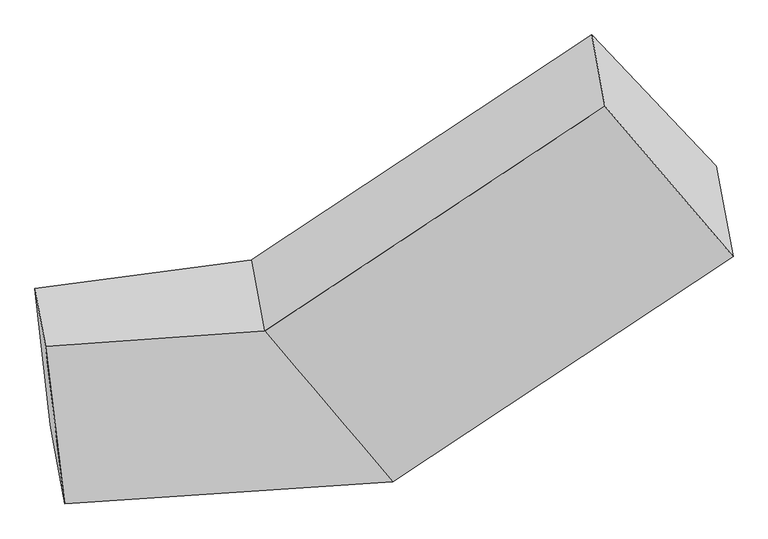
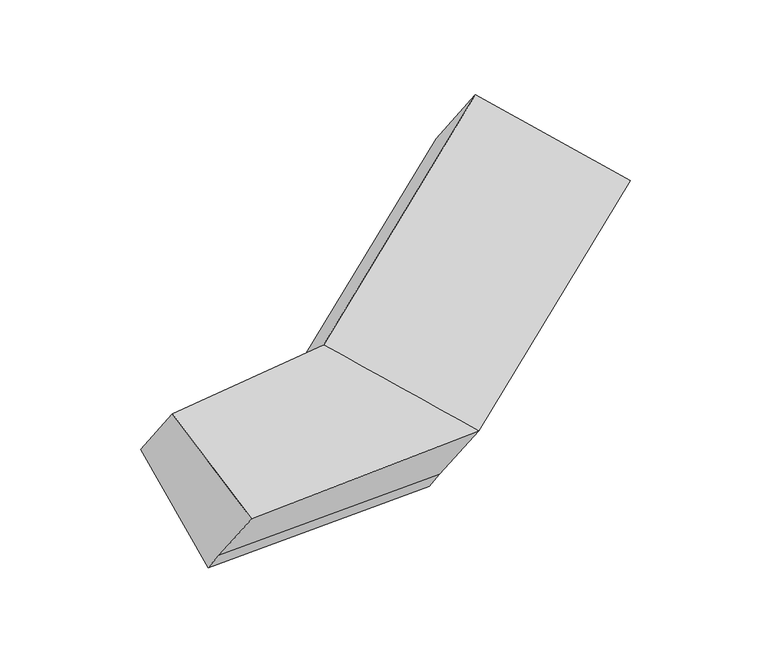
"""IFC4 building model written with IfcOpenShell, lengths in millimetres: proxy geometry."""

from ifc_helpers import new_model, si_unit, frame, origin, place, context, project, spatial, source, transform, mapped, element, save
from ifc_brep_helpers import plane_surface, spline_surface, advanced_brep


def generic_models_dd8c3839(model_context):
    return source(origin(), model_context, "Body", "AdvancedBrep", [
        advanced_brep(
        [(-1255.8942002, -1694.367394, 1808.9846144), (-1211.3519352, -1936.4201114, 2157.8283793), (-296.0751567, -1872.3174626, 2221.8618486), (-350.9751533, -1573.9784946, 1791.8989465), (-1192.7205939, -2263.329951, 1406.1314101), (170.0821287, -2123.7178539, 1343.9190969), (-1177.5923659, -2345.5401548, 1524.6118689), (184.6886936, -2203.0932231, 1458.3140227), (-1131.741676, -2594.7031485, 1883.7028874), (239.660335, -2501.8215246, 1888.838028), (1607.4838875, -1261.9215817, 1924.4933185), (1592.8773226, -1182.5462126, 1810.0983928), (1071.8200406, -632.8068532, 2258.0782423), (1126.7200372, -931.1458212, 2688.0411444), (1662.4555289, -1560.6498833, 2355.0173239)],
        [
            (0, 1),
            (1, 2),
            (2, 3),
            (3, 0),
            (4, 0),
            (0, 5),
            (5, 4),
            (6, 4),
            (5, 7),
            (7, 6),
            (8, 6),
            (7, 9),
            (9, 8),
            (1, 8),
            (9, 2),
            (10, 11),
            (11, 12),
            (12, 13),
            (13, 14),
            (14, 10),
            (3, 5),
            (5, 11),
            (10, 7),
            (3, 12),
            (2, 13),
            (9, 14),
        ],
        [
            plane_surface(frame((-1233.6230677, -1815.3937527, 1983.4064969), z_axis=(-0.0971373725213191, 0.8118530831035727, 0.5757246757911963), x_axis=(0.10433260649652625, -0.5669669226590858, 0.8171066122802626))),
            plane_surface(frame((-1224.307397, -1978.8486725, 1607.5580123), z_axis=(-0.09551580524235881, 0.568134873135621, -0.8173735357081704), x_axis=(-0.0902480090055878, 0.8128036528051676, 0.5755045776161158))),
            plane_surface(frame((-1185.1564799, -2304.4350529, 1465.3716395), z_axis=(0.057468130357706565, -0.8167808791370343, -0.5740787484912875), x_axis=(-0.10433260649652612, 0.5669669226590859, -0.8171066122802625))),
            plane_surface(frame((-1154.6670209, -2470.1216517, 1704.1573781), z_axis=(0.05746813035770644, -0.8167808791370345, -0.5740787484912878), x_axis=(-0.10433260649652615, 0.5669669226590861, -0.8171066122802624))),
            spline_surface(1, 1, [[(-1211.3519352, -1936.4201114, 2157.8283793), (-296.0751567, -1872.3174626, 2221.8618486)], [(-1131.741676, -2594.7031485, 1883.7028874), (239.660335, -2501.8215246, 1888.838028)]], [2, 2], [2, 2], [0.0, 1.0], [0.0, 1.0]),
            plane_surface(frame((1363.4682323, -1076.7871926, 2277.8087759), z_axis=(0.7990743434681704, 0.5369298362721142, 0.2705301176056244), x_axis=(-0.10433260649652609, 0.5669669226590858, -0.8171066122802626))),
            plane_surface(frame((-1197.9271013, -2122.2051512, 1814.1618228), z_axis=(-0.9904392985398794, -0.1337861375369662, 0.03363428772505303), x_axis=(-0.10433260649652615, 0.5669669226590859, -0.8171066122802626))),
            plane_surface(frame((-1255.8942002, -1694.367394, 1808.9846144), z_axis=(-0.09187772225952553, 0.5752586209930571, -0.812795179073774), x_axis=(-0.5921105478139581, 0.6247038174457473, 0.509068010816006))),
            plane_surface(frame((177.3854112, -2163.4055385, 1401.1165598), z_axis=(0.5843191626235008, -0.6298908970261411, -0.5116723307299058), x_axis=(-0.10433260649652665, 0.5669669226590851, -0.8171066122802629))),
            plane_surface(frame((-90.4465123, -1848.8481742, 1567.9090217), z_axis=(-0.10625322572075249, 0.5656745414176988, -0.8177545874012637), x_axis=(-0.5921105478139643, 0.6247038174457437, 0.5090680108160028))),
            plane_surface(frame((-323.525155, -1723.1479786, 2006.8803975), z_axis=(-0.5843191626235031, 0.6298908970261393, 0.5116723307299057), x_axis=(0.10433260649652645, -0.566966922659086, 0.8171066122802624))),
            plane_surface(frame((-28.2074108, -2187.0694936, 2055.3499383), z_axis=(0.012672271449563344, -0.4591359656154188, 0.8882756208602745), x_axis=(0.6011563800867157, -0.7063754204249986, -0.3736907439319884))),
            plane_surface(frame((212.1745143, -2352.4573739, 1673.5760254), z_axis=(0.5843191626235009, -0.6298908970261409, -0.5116723307299059), x_axis=(-0.10433260649652595, 0.5669669226590859, -0.8171066122802625))),
        ],
        [
            (0, [[1, 2, 3, 4]]),
            (1, [[5, 6, 7]]),
            (2, [[8, -7, 9, 10]]),
            (3, [[11, -10, 12, 13]]),
            (4, [[14, -13, 15, -2]]),
            (5, [[16, 17, 18, 19, 20]]),
            (6, [[-1, -5, -8, -11, -14]]),
            (7, [[21, -6, -4]]),
            (8, [[-9, 22, -16, 23]]),
            (9, [[-21, 24, -17, -22]]),
            (10, [[-3, 25, -18, -24]]),
            (11, [[-15, 26, -19, -25]]),
            (12, [[-12, -23, -20, -26]]),
        ],
    ),
    ])


if __name__ == "__main__":
    model = new_model("IFC4")
    model_context = context("Model", 3, world=origin())
    ifc_project = project(units=[si_unit("LENGTHUNIT", "METRE", prefix="MILLI")], contexts=[model_context])
    site = spatial("IfcSite", under=ifc_project)
    building = spatial("IfcBuilding", under=site)
    placement = place(None, origin())
    generic_models_shape = generic_models_dd8c3839(model_context)
    element("IfcBuildingElementProxy", 1, Name="Generic Models", at=placement, inside=building, context=model_context, shape_type="MappedRepresentation", body=[
        mapped(generic_models_shape, transform((0.0, 0.0, 0.0), x_axis=(1.0, 0.0, 0.0), y_axis=(0.0, 1.0, 0.0), z_axis=(0.0, 0.0, 1.0))),
    ])
    save(model, "model.ifc")
